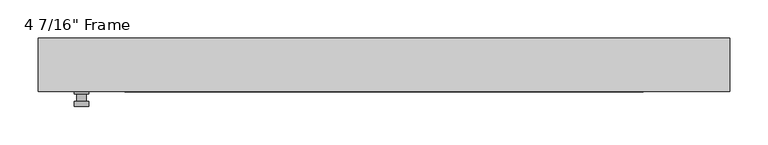
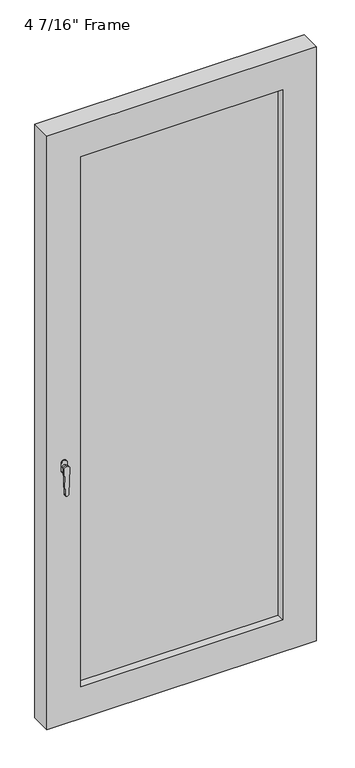
"""IFC4 building model written with IfcOpenShell, lengths in millimetres: plate geometry."""

import ifcopenshell
import ifcopenshell.guid

model = None  # the IFC model being written
_history = None  # IfcOwnerHistory: only IFC2X3 demands one
_inside = {}  # id of a spatial element -> (the spatial element, [elements in it])
_under = {}  # id of a project, library or spatial element -> (it, [spatial elements below it])
_declared = {}  # id of a project -> (the project, [libraries it declares])
_typed = {}  # id of a type object -> (the type object, [elements of that type])
_made_of = {}  # id of a material, layer set ... -> (it, [elements and type objects made of it])


def new_model(schema):
    """Start an empty IFC model of exactly this schema.

    Asked for "IFC4X3", IfcOpenShell would pick the latest addendum, in which some entities
    have other attributes; the version numbers below select the first issue.
    IFC2X3 requires an IfcOwnerHistory on every rooted entity: one is made here for all.
    """
    global model, _history
    if schema == "IFC4X3":
        model = ifcopenshell.file(schema_version=(4, 3, 0, 0))
    else:
        model = ifcopenshell.file(schema=schema)
    _inside.clear()
    _under.clear()
    _declared.clear()
    _typed.clear()
    _made_of.clear()
    _history = None
    if model.schema == "IFC2X3":
        org = make("IfcOrganization", Name="unknown")
        user = make(
            "IfcPersonAndOrganization",
            ThePerson=make("IfcPerson", FamilyName="unknown"),
            TheOrganization=org,
        )
        app = make(
            "IfcApplication",
            ApplicationDeveloper=org,
            Version="unknown",
            ApplicationFullName="unknown",
            ApplicationIdentifier="unknown",
        )
        _history = make(
            "IfcOwnerHistory",
            OwningUser=user,
            OwningApplication=app,
            ChangeAction="ADDED",
            CreationDate=0,
        )
    return model


def make(cls, **values):
    """One entity of the class cls with the attributes given. An attribute that is None is left unset."""
    return model.create_entity(
        cls, **{name: value for name, value in values.items() if value is not None}
    )


def rooted(cls, **values):
    """An entity with a GlobalId (a new one), such as an element, a storey or a relation."""
    return make(cls, GlobalId=ifcopenshell.guid.new(), OwnerHistory=_history, **values)


def si_unit(unit_type, name, prefix=None):
    """IfcSIUnit, for example si_unit("LENGTHUNIT", "METRE", prefix="MILLI")."""
    return make("IfcSIUnit", UnitType=unit_type, Prefix=prefix, Name=name)


def assignment(units):
    """IfcUnitAssignment: the units of a project."""
    return None if units is None else make("IfcUnitAssignment", Units=units)


def point(xyz):
    """IfcCartesianPoint."""
    return None if xyz is None else make("IfcCartesianPoint", Coordinates=xyz)


def direction(xyz):
    """IfcDirection."""
    return None if xyz is None else make("IfcDirection", DirectionRatios=xyz)


def frame(location, z_axis=None, x_axis=None):
    """IfcAxis2Placement3D, a coordinate frame: its origin and axes. An axis left out is left unset."""
    return make(
        "IfcAxis2Placement3D",
        Location=point(location),
        Axis=direction(z_axis),
        RefDirection=direction(x_axis),
    )


def origin():
    """The frame at (0, 0, 0) with its axes left unset."""
    return frame((0.0, 0.0, 0.0))


def place(relative_to, where):
    """IfcLocalPlacement: puts the frame where relative to a parent placement (None: the world)."""
    return make(
        "IfcLocalPlacement", PlacementRelTo=relative_to, RelativePlacement=where
    )


def context(
    kind, dimensions, precision=None, world=None, true_north=None, identifier=None
):
    """IfcGeometricRepresentationContext, for example the 3D "Model" context."""
    return make(
        "IfcGeometricRepresentationContext",
        ContextIdentifier=identifier,
        ContextType=kind,
        CoordinateSpaceDimension=dimensions,
        Precision=precision,
        WorldCoordinateSystem=world,
        TrueNorth=true_north,
    )


def project(units=None, contexts=None):
    """IfcProject with its units and contexts."""
    return rooted(
        "IfcProject",
        Name="project",
        RepresentationContexts=contexts,
        UnitsInContext=assignment(units),
    )


def spatial(cls, under=None, at=None, **own):
    """A site, building, storey or space (cls), placed at a placement, below another one or the project."""
    s = rooted(cls, ObjectPlacement=at, **own)
    if under is not None:
        _under.setdefault(under.id(), (under, []))[1].append(s)
    return s


def polyline(points):
    """IfcPolyline through the points."""
    return make("IfcPolyline", Points=[point(p) for p in points])


def circle_curve(where, radius):
    """IfcCircle in the frame where."""
    return make("IfcCircle", Position=where, Radius=radius)


def outline(outer, holes=None, kind="AREA"):
    """IfcArbitraryClosedProfileDef: a profile drawn as a closed curve; with holes, ...WithVoids."""
    if holes is None:
        return make("IfcArbitraryClosedProfileDef", ProfileType=kind, OuterCurve=outer)
    return make(
        "IfcArbitraryProfileDefWithVoids",
        ProfileType=kind,
        OuterCurve=outer,
        InnerCurves=holes,
    )


def extrude(swept, where, along, depth):
    """IfcExtrudedAreaSolid: the profile swept, set in the frame where, extruded along a direction by depth."""
    return make(
        "IfcExtrudedAreaSolid",
        SweptArea=swept,
        Position=where,
        ExtrudedDirection=direction(along),
        Depth=depth,
    )


def faces_of(points, faces, orient=None, outer=None):
    """IfcFace entities. A face is a list of loops; a loop is a list of indices into points, from 0.

    orient and outer hold one flag for each loop. By default every Orientation is true, the
    first loop of a face is its IfcFaceOuterBound and the others are IfcFaceBound.
    """
    made = []
    for i, loops in enumerate(faces):
        bounds = []
        for j, loop in enumerate(loops):
            is_outer = j == 0 if outer is None else outer[i][j]
            bounds.append(
                make(
                    "IfcFaceOuterBound" if is_outer else "IfcFaceBound",
                    Bound=make("IfcPolyLoop", Polygon=[points[k] for k in loop]),
                    Orientation=True if orient is None else orient[i][j],
                )
            )
        made.append(make("IfcFace", Bounds=bounds))
    return made


def faceted_brep(points, faces, orient=None, outer=None, voids=None):
    """IfcFacetedBrep: a solid bounded by flat faces; with voids (closed shells), ...WithVoids."""
    shared = [point(p) for p in points]
    hull = make("IfcClosedShell", CfsFaces=faces_of(shared, faces, orient, outer))
    if voids is None:
        return make("IfcFacetedBrep", Outer=hull)
    return make(
        "IfcFacetedBrepWithVoids",
        Outer=hull,
        Voids=[
            make(cls, CfsFaces=faces_of(shared, fs, o, b)) for cls, fs, o, b in voids
        ],
    )


def shape(context_of_items, identifier, shape_type, items):
    """IfcShapeRepresentation: the items that make up one representation, for example the "Body"."""
    return make(
        "IfcShapeRepresentation",
        ContextOfItems=context_of_items,
        RepresentationIdentifier=identifier,
        RepresentationType=shape_type,
        Items=items,
    )


def source(mapping_origin, context_of_items, identifier, shape_type, items):
    """IfcRepresentationMap: a shape defined once, which mapped items show again and again."""
    return make(
        "IfcRepresentationMap",
        MappingOrigin=mapping_origin,
        MappedRepresentation=shape(context_of_items, identifier, shape_type, items),
    )


def transform(
    local_origin,
    x_axis=None,
    y_axis=None,
    z_axis=None,
    scale=None,
    scale2=None,
    scale3=None,
    uniform=True,
):
    """IfcCartesianTransformationOperator3D, or its non-uniform kind. x_axis, y_axis, z_axis: its Axis1, 2, 3."""
    if uniform:
        return make(
            "IfcCartesianTransformationOperator3D",
            Axis1=direction(x_axis),
            Axis2=direction(y_axis),
            LocalOrigin=point(local_origin),
            Scale=scale,
            Axis3=direction(z_axis),
        )
    return make(
        "IfcCartesianTransformationOperator3DnonUniform",
        Axis1=direction(x_axis),
        Axis2=direction(y_axis),
        LocalOrigin=point(local_origin),
        Scale=scale,
        Axis3=direction(z_axis),
        Scale2=scale2,
        Scale3=scale3,
    )


def mapped(mapping_source, mapping_target):
    """IfcMappedItem: shows the shape of a source again, moved by a transform."""
    return make(
        "IfcMappedItem", MappingSource=mapping_source, MappingTarget=mapping_target
    )


def made_of(thing, what):
    """Note that an element or type object is made of a material, layer set ...; save() writes the relation."""
    if what is not None:
        _made_of.setdefault(what.id(), (what, []))[1].append(thing)
    return thing


def element(
    cls,
    number,
    at=None,
    inside=None,
    cuts=None,
    type_object=None,
    material=None,
    context=None,
    identifier="Body",
    shape_type=None,
    held_by="IfcProductDefinitionShape",
    body=None,
    shapes=None,
    **own,
):
    """One element of the class cls, such as IfcWall. Its Tag is "e" and its number.

    at: its placement. inside: the storey or other place that contains it. cuts: it is an
    opening in that element (IfcRelVoidsElement). A single representation is given by context,
    identifier, shape_type and body (its items); several are given by shapes. held_by: the class
    of the entity that holds the representations. save() writes the other relations.
    """
    e = rooted(cls, Tag="e%d" % number, ObjectPlacement=at, **own)
    if body is not None:
        shapes = [shape(context, identifier, shape_type, body)]
    if shapes is not None:
        e.Representation = make(held_by, Representations=shapes)
    if inside is not None:
        _inside.setdefault(inside.id(), (inside, []))[1].append(e)
    if cuts is not None:
        rooted(
            "IfcRelVoidsElement", RelatingBuildingElement=cuts, RelatedOpeningElement=e
        )
    if type_object is not None:
        _typed.setdefault(type_object.id(), (type_object, []))[1].append(e)
    return made_of(e, material)


def aggregate(whole, parts):
    """IfcRelAggregates: a whole, such as a stair, and the parts it consists of."""
    return rooted("IfcRelAggregates", RelatingObject=whole, RelatedObjects=parts)


def save(model, path):
    """Write the relations noted so far, then the file.

    IfcRelAggregates (storeys below a building ...), IfcRelContainedInSpatialStructure (elements
    in a storey), IfcRelDefinesByType, IfcRelAssociatesMaterial and IfcRelDeclares: one each for
    every whole, place, type object, material and project.
    """
    for whole, parts in _under.values():
        aggregate(whole, parts)
    for where, things in _inside.values():
        rooted(
            "IfcRelContainedInSpatialStructure",
            RelatedElements=things,
            RelatingStructure=where,
        )
    for kind, things in _typed.values():
        rooted("IfcRelDefinesByType", RelatedObjects=things, RelatingType=kind)
    for what, things in _made_of.values():
        rooted("IfcRelAssociatesMaterial", RelatedObjects=things, RelatingMaterial=what)
    for by, libraries in _declared.values():
        rooted("IfcRelDeclares", RelatingContext=by, RelatedDefinitions=libraries)
    model.write(path)


def plane_surface(at):
    """IfcPlane: the flat surface through the origin of the frame at, square to its z axis."""
    return make("IfcPlane", Position=at)


def cylinder_surface(at, radius):
    """IfcCylindricalSurface: all points at the distance radius from the z axis of the frame at."""
    return make("IfcCylindricalSurface", Position=at, Radius=radius)


def advanced_brep(points, edges, surfaces, faces):
    """IfcAdvancedBrep: a solid bounded by faces that lie on surfaces and meet in shared edges.

    An edge is (start, end): straight between two places in points (the first is 0);
    or (start, end, curve); or (start, end, curve, False) where it runs against its curve.
    A face is (place in surfaces, loops), or (place, loops, False) where it looks against
    its surface's normal. A loop lists edges by number (the first is 1), with a minus sign
    where the edge is run from its end to its start. The first loop is the outer one.
    """
    corners = [point(p) for p in points]
    vertices = [make("IfcVertexPoint", VertexGeometry=c) for c in corners]
    made = []
    for start, end, *more in edges:
        made.append(
            make(
                "IfcEdgeCurve",
                EdgeStart=vertices[start],
                EdgeEnd=vertices[end],
                EdgeGeometry=more[0] if more else make("IfcPolyline", Points=[corners[start], corners[end]]),
                SameSense=more[1] if len(more) > 1 else True,
            )
        )
    hull = []
    for where, loops, *sense in faces:
        bounds = []
        for j, loop in enumerate(loops):
            ring = [make("IfcOrientedEdge", EdgeElement=made[abs(k) - 1], Orientation=k > 0) for k in loop]
            bounds.append(
                make(
                    "IfcFaceOuterBound" if j == 0 else "IfcFaceBound",
                    Bound=make("IfcEdgeLoop", EdgeList=ring),
                    Orientation=True,
                )
            )
        hull.append(make("IfcAdvancedFace", Bounds=bounds, FaceSurface=surfaces[where], SameSense=sense[0] if sense else True))
    return make("IfcAdvancedBrep", Outer=make("IfcClosedShell", CfsFaces=hull))


def plate_515dd1f1(model_context):
    return source(origin(), model_context, "Body", "SolidModel", [
        advanced_brep(
        [(-385.28625, -34.925, 927.1), (-385.28625, -34.925, 901.7), (-404.33625, -34.925, 901.7), (-404.33625, -34.925, 927.1), (-388.46125, -47.625, 914.4), (-401.16125, -47.625, 914.4), (-401.16125, -38.1, 914.4), (-388.46125, -38.1, 914.4), (-385.28625, -47.625, 914.4), (-388.4652856, -47.625, 825.2736467), (-401.1572144, -47.625, 825.2736467), (-404.33625, -47.625, 914.4), (-385.28625, -53.975, 914.4), (-404.33625, -53.975, 914.4), (-401.1572144, -53.975, 825.2736467), (-388.4652856, -53.975, 825.2736467), (-385.28625, -38.1, 927.1), (-404.33625, -38.1, 927.1), (-404.33625, -38.1, 901.7), (-385.28625, -38.1, 901.7)],
        [
            (0, 1),
            (1, 2, circle_curve(frame((-394.81125, -34.925, 901.7), z_axis=(0.0, 1.0, 0.0), x_axis=(-1.0, 0.0, 0.0)), 9.525)),
            (2, 3),
            (3, 0, circle_curve(frame((-394.81125, -34.925, 927.1), z_axis=(0.0, 1.0, 0.0), x_axis=(-1.0, 0.0, 0.0)), 9.525)),
            (4, 5, circle_curve(frame((-394.81125, -47.625, 914.4), z_axis=(0.0, 1.0, 0.0), x_axis=(-1.0, 0.0, 0.0)), 6.35)),
            (5, 6),
            (6, 7, circle_curve(frame((-394.81125, -38.1, 914.4), z_axis=(0.0, -1.0, 0.0), x_axis=(-1.0, 0.0, 0.0)), 6.35)),
            (7, 4),
            (5, 4, circle_curve(frame((-394.81125, -47.625, 914.4), z_axis=(0.0, 1.0, 0.0), x_axis=(-1.0, 0.0, 0.0)), 6.35)),
            (7, 6, circle_curve(frame((-394.81125, -38.1, 914.4), z_axis=(0.0, -1.0, 0.0), x_axis=(-1.0, 0.0, 0.0)), 6.35)),
            (8, 9),
            (9, 10, circle_curve(frame((-394.81125, -47.625, 825.5), z_axis=(0.0, 1.0, 0.0), x_axis=(-1.0, 0.0, 0.0)), 6.35)),
            (10, 11),
            (11, 8, circle_curve(frame((-394.81125, -47.625, 914.4), z_axis=(0.0, 1.0, 0.0), x_axis=(-1.0, 0.0, 0.0)), 9.525)),
            (12, 13, circle_curve(frame((-394.81125, -53.975, 914.4), z_axis=(0.0, -1.0, 0.0), x_axis=(-1.0, 0.0, 0.0)), 9.525)),
            (13, 14),
            (14, 15, circle_curve(frame((-394.81125, -53.975, 825.5), z_axis=(0.0, -1.0, 0.0), x_axis=(-1.0, 0.0, 0.0)), 6.35)),
            (15, 12),
            (8, 12),
            (15, 9),
            (14, 10),
            (13, 11),
            (16, 17, circle_curve(frame((-394.81125, -38.1, 927.1), z_axis=(0.0, -1.0, 0.0), x_axis=(-1.0, 0.0, 0.0)), 9.525)),
            (17, 18),
            (18, 19, circle_curve(frame((-394.81125, -38.1, 901.7), z_axis=(0.0, -1.0, 0.0), x_axis=(-1.0, 0.0, 0.0)), 9.525)),
            (19, 16),
            (0, 16),
            (19, 1),
            (18, 2),
            (17, 3),
        ],
        [
            plane_surface(frame((-401.16125, -34.925, 914.4), z_axis=(0.0, 1.0, 0.0), x_axis=(0.0, 0.0, 1.0))),
            cylinder_surface(frame((-394.81125, -47.625, 914.4), z_axis=(0.0, 1.0, 0.0), x_axis=(-1.0, 0.0, 0.0)), 6.35),
            plane_surface(frame((-385.28625, -47.625, 914.4), z_axis=(0.0, 1.0000000000000002, 0.0), x_axis=(-0.03564619348186888, 0.0, -0.9993644724975235))),
            plane_surface(frame((-385.28625, -53.975, 914.4), z_axis=(0.0, -1.0000000000000002, 0.0), x_axis=(0.03564619348186888, 0.0, 0.9993644724975235))),
            plane_surface(frame((-385.28625, -47.625, 914.4), z_axis=(0.9993644724975235, 0.0, -0.03564619348186888), x_axis=(0.0, -1.0, 0.0))),
            cylinder_surface(frame((-394.81125, -53.975, 825.5), z_axis=(0.0, 1.0, 0.0), x_axis=(-1.0, 0.0, 0.0)), 6.35),
            plane_surface(frame((-401.1572144, -47.625, 825.2736467), z_axis=(-0.9993644724975228, 0.0, -0.03564619348188612), x_axis=(0.0, -1.0, 0.0))),
            cylinder_surface(frame((-394.81125, -53.975, 914.4), z_axis=(0.0, 1.0, 0.0), x_axis=(-1.0, 0.0, 0.0)), 9.525),
            plane_surface(frame((-385.28625, -38.1, 901.7), z_axis=(0.0, -1.0, 0.0), x_axis=(0.0, 0.0, 1.0))),
            plane_surface(frame((-385.28625, -34.925, 927.1), z_axis=(1.0, 0.0, 0.0), x_axis=(0.0, -1.0, 0.0))),
            cylinder_surface(frame((-394.81125, -38.1, 901.7), z_axis=(0.0, 1.0, 0.0), x_axis=(-1.0, 0.0, 0.0)), 9.525),
            plane_surface(frame((-404.33625, -34.925, 901.7), z_axis=(-1.0, 0.0, 0.0), x_axis=(0.0, -1.0, 0.0))),
            cylinder_surface(frame((-394.81125, -38.1, 927.1), z_axis=(0.0, 1.0, 0.0), x_axis=(-1.0, 0.0, 0.0)), 9.525),
        ],
        [
            (0, [[1, 2, 3, 4]]),
            (1, [[5, 6, 7, 8]]),
            (1, [[9, -8, 10, -6]]),
            (2, [[11, 12, 13, 14], [-5, -9]]),
            (3, [[15, 16, 17, 18]]),
            (4, [[-11, 19, -18, 20]]),
            (5, [[-12, -20, -17, 21]]),
            (6, [[-13, -21, -16, 22]]),
            (7, [[-14, -22, -15, -19]]),
            (8, [[23, 24, 25, 26], [-7, -10]]),
            (9, [[-1, 27, -26, 28]]),
            (10, [[-2, -28, -25, 29]]),
            (11, [[-3, -29, -24, 30]]),
            (12, [[-4, -30, -23, -27]]),
        ],
    ),
        faceted_brep([(-451.1675, -34.925, 0.0), (-451.1675, 34.925, 0.0), (451.1675, 34.925, 0.0), (451.1675, -34.925, 0.0), (-338.455, 34.925, 1989.1375), (-338.455, 15.875, 1989.1375), (-338.455, 15.875, 112.7125), (-338.455, 34.925, 112.7125), (351.155, 15.875, 2001.8375), (-351.155, 15.875, 2001.8375), (-351.155, 15.875, 100.0125), (351.155, 15.875, 100.0125), (338.455, 15.875, 1989.1375), (338.455, 15.875, 112.7125), (-351.155, -7.9375, 2001.8375), (-351.155, -7.9375, 100.0125), (351.155, -7.9375, 2001.8375), (351.155, -7.9375, 100.0125), (-338.455, -7.9375, 1989.1375), (-338.455, -7.9375, 112.7125), (338.455, -7.9375, 112.7125), (338.455, -7.9375, 1989.1375), (-338.455, -34.925, 1989.1375), (-338.455, -34.925, 112.7125), (451.1675, -34.925, 2101.85), (-451.1675, -34.925, 2101.85), (338.455, -34.925, 1989.1375), (338.455, -34.925, 112.7125), (-451.1675, 34.925, 2101.85), (451.1675, 34.925, 2101.85), (338.455, 34.925, 112.7125), (338.455, 34.925, 1989.1375)], [[[0, 1, 2, 3]], [[4, 5, 6, 7]], [[8, 9, 10, 11], [5, 12, 13, 6]], [[10, 9, 14, 15]], [[14, 16, 17, 15], [18, 19, 20, 21]], [[18, 22, 23, 19]], [[0, 3, 24, 25], [22, 26, 27, 23]], [[1, 0, 25, 28]], [[2, 1, 28, 29], [4, 7, 30, 31]], [[5, 4, 31, 12]], [[9, 8, 16, 14]], [[18, 21, 26, 22]], [[25, 24, 29, 28]], [[12, 31, 30, 13]], [[17, 16, 8, 11]], [[26, 21, 20, 27]], [[24, 3, 2, 29]], [[23, 27, 20, 19]], [[11, 10, 15, 17]], [[6, 13, 30, 7]]]),
        extrude(outline(polyline([(351.155, -7.9375), (-351.155, -7.9375), (-351.155, 15.875), (351.155, 15.875), (351.155, -7.9375)])), frame((0.0, 0.0, 100.0125), z_axis=(0.0, 0.0, 1.0), x_axis=(1.0, 0.0, 0.0)), (0.0, 0.0, 1.0), 1901.825),
    ])


if __name__ == "__main__":
    model = new_model("IFC4")
    model_context = context("Model", 3, world=origin())
    ifc_project = project(units=[si_unit("LENGTHUNIT", "METRE", prefix="MILLI")], contexts=[model_context])
    site = spatial("IfcSite", under=ifc_project)
    building = spatial("IfcBuilding", under=site)
    placement = place(None, origin())
    plate_shape = plate_515dd1f1(model_context)
    element("IfcPlate", 1, ObjectType="4 7/16\" Frame", at=placement, inside=building, context=model_context, shape_type="MappedRepresentation", body=[
        mapped(plate_shape, transform((0.0, 0.0, 0.0), x_axis=(1.0, 0.0, 0.0), y_axis=(0.0, 1.0, 0.0), z_axis=(0.0, 0.0, 1.0))),
    ])
    save(model, "model.ifc")
